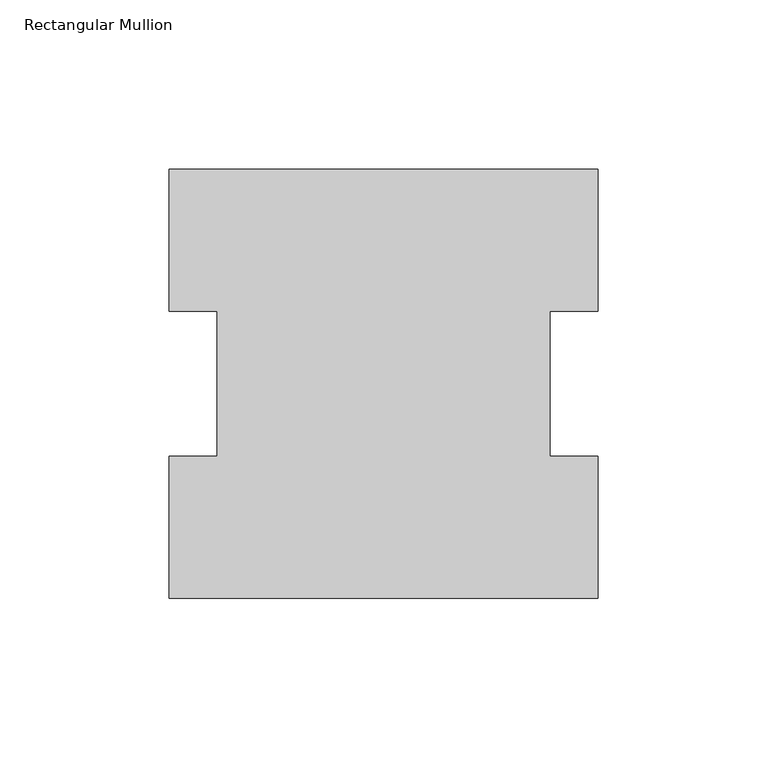
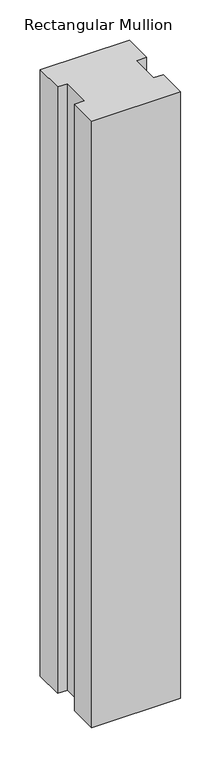
"""IFC4 building model written with IfcOpenShell, lengths in millimetres: member geometry, Rectangular Mullion."""

from ifc_helpers import new_model, si_unit, frame, origin, place, context, project, spatial, polyline, outline, extrude, source, transform, mapped, element, save


def rectangular_mullion_08a09d1b(model_context):
    return source(origin(), model_context, "Body", "SweptSolid", [
        extrude(outline(polyline([(-63.5, 126.7086938), (63.5, 126.7086938), (63.5, 84.6335937), (49.2125, 84.6335937), (49.2125, 41.7837937), (63.5, 41.7837937), (63.5, -0.2913062), (-63.5, -0.2913062), (-63.5, 41.7837937), (-49.2125, 41.7837937), (-49.2125, 84.6335937), (-63.5, 84.6335937), (-63.5, 126.7086938)])), frame((0.0, 0.0, -914.4), z_axis=(0.0, 0.0, 1.0), x_axis=(1.0, 0.0, 0.0)), (0.0, 0.0, 1.0), 914.4),
    ])


if __name__ == "__main__":
    model = new_model("IFC4")
    model_context = context("Model", 3, world=origin())
    ifc_project = project(units=[si_unit("LENGTHUNIT", "METRE", prefix="MILLI")], contexts=[model_context])
    site = spatial("IfcSite", under=ifc_project)
    building = spatial("IfcBuilding", under=site)
    placement = place(None, origin())
    rectangular_mullion_shape = rectangular_mullion_08a09d1b(model_context)
    element("IfcMember", 1, ObjectType="Rectangular Mullion", at=placement, inside=building, context=model_context, shape_type="MappedRepresentation", body=[
        mapped(rectangular_mullion_shape, transform((0.0, 0.0, 0.0), x_axis=(1.0, 0.0, 0.0), y_axis=(0.0, 1.0, 0.0), z_axis=(0.0, 0.0, 1.0))),
    ])
    save(model, "model.ifc")
